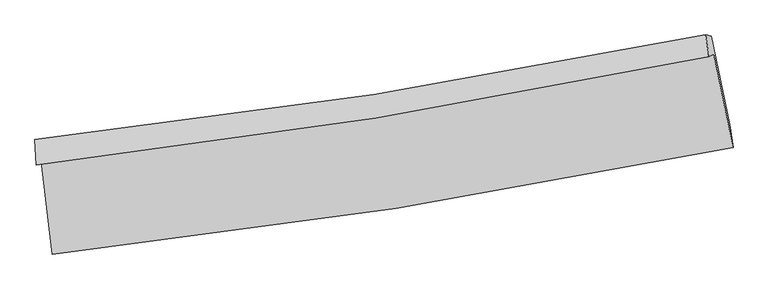
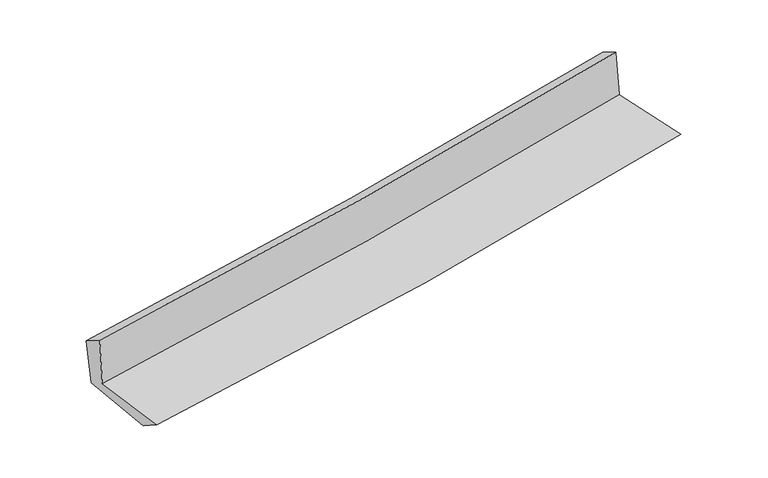
"""IFC4 building model written with IfcOpenShell, lengths in millimetres: proxy geometry."""

import ifcopenshell
import ifcopenshell.guid

model = None  # the IFC model being written
_history = None  # IfcOwnerHistory: only IFC2X3 demands one
_inside = {}  # id of a spatial element -> (the spatial element, [elements in it])
_under = {}  # id of a project, library or spatial element -> (it, [spatial elements below it])
_declared = {}  # id of a project -> (the project, [libraries it declares])
_typed = {}  # id of a type object -> (the type object, [elements of that type])
_made_of = {}  # id of a material, layer set ... -> (it, [elements and type objects made of it])


def new_model(schema):
    """Start an empty IFC model of exactly this schema.

    Asked for "IFC4X3", IfcOpenShell would pick the latest addendum, in which some entities
    have other attributes; the version numbers below select the first issue.
    IFC2X3 requires an IfcOwnerHistory on every rooted entity: one is made here for all.
    """
    global model, _history
    if schema == "IFC4X3":
        model = ifcopenshell.file(schema_version=(4, 3, 0, 0))
    else:
        model = ifcopenshell.file(schema=schema)
    _inside.clear()
    _under.clear()
    _declared.clear()
    _typed.clear()
    _made_of.clear()
    _history = None
    if model.schema == "IFC2X3":
        org = make("IfcOrganization", Name="unknown")
        user = make(
            "IfcPersonAndOrganization",
            ThePerson=make("IfcPerson", FamilyName="unknown"),
            TheOrganization=org,
        )
        app = make(
            "IfcApplication",
            ApplicationDeveloper=org,
            Version="unknown",
            ApplicationFullName="unknown",
            ApplicationIdentifier="unknown",
        )
        _history = make(
            "IfcOwnerHistory",
            OwningUser=user,
            OwningApplication=app,
            ChangeAction="ADDED",
            CreationDate=0,
        )
    return model


def make(cls, **values):
    """One entity of the class cls with the attributes given. An attribute that is None is left unset."""
    return model.create_entity(
        cls, **{name: value for name, value in values.items() if value is not None}
    )


def rooted(cls, **values):
    """An entity with a GlobalId (a new one), such as an element, a storey or a relation."""
    return make(cls, GlobalId=ifcopenshell.guid.new(), OwnerHistory=_history, **values)


def si_unit(unit_type, name, prefix=None):
    """IfcSIUnit, for example si_unit("LENGTHUNIT", "METRE", prefix="MILLI")."""
    return make("IfcSIUnit", UnitType=unit_type, Prefix=prefix, Name=name)


def assignment(units):
    """IfcUnitAssignment: the units of a project."""
    return None if units is None else make("IfcUnitAssignment", Units=units)


def point(xyz):
    """IfcCartesianPoint."""
    return None if xyz is None else make("IfcCartesianPoint", Coordinates=xyz)


def direction(xyz):
    """IfcDirection."""
    return None if xyz is None else make("IfcDirection", DirectionRatios=xyz)


def frame(location, z_axis=None, x_axis=None):
    """IfcAxis2Placement3D, a coordinate frame: its origin and axes. An axis left out is left unset."""
    return make(
        "IfcAxis2Placement3D",
        Location=point(location),
        Axis=direction(z_axis),
        RefDirection=direction(x_axis),
    )


def origin():
    """The frame at (0, 0, 0) with its axes left unset."""
    return frame((0.0, 0.0, 0.0))


def place(relative_to, where):
    """IfcLocalPlacement: puts the frame where relative to a parent placement (None: the world)."""
    return make(
        "IfcLocalPlacement", PlacementRelTo=relative_to, RelativePlacement=where
    )


def context(
    kind, dimensions, precision=None, world=None, true_north=None, identifier=None
):
    """IfcGeometricRepresentationContext, for example the 3D "Model" context."""
    return make(
        "IfcGeometricRepresentationContext",
        ContextIdentifier=identifier,
        ContextType=kind,
        CoordinateSpaceDimension=dimensions,
        Precision=precision,
        WorldCoordinateSystem=world,
        TrueNorth=true_north,
    )


def project(units=None, contexts=None):
    """IfcProject with its units and contexts."""
    return rooted(
        "IfcProject",
        Name="project",
        RepresentationContexts=contexts,
        UnitsInContext=assignment(units),
    )


def spatial(cls, under=None, at=None, **own):
    """A site, building, storey or space (cls), placed at a placement, below another one or the project."""
    s = rooted(cls, ObjectPlacement=at, **own)
    if under is not None:
        _under.setdefault(under.id(), (under, []))[1].append(s)
    return s


def shape(context_of_items, identifier, shape_type, items):
    """IfcShapeRepresentation: the items that make up one representation, for example the "Body"."""
    return make(
        "IfcShapeRepresentation",
        ContextOfItems=context_of_items,
        RepresentationIdentifier=identifier,
        RepresentationType=shape_type,
        Items=items,
    )


def source(mapping_origin, context_of_items, identifier, shape_type, items):
    """IfcRepresentationMap: a shape defined once, which mapped items show again and again."""
    return make(
        "IfcRepresentationMap",
        MappingOrigin=mapping_origin,
        MappedRepresentation=shape(context_of_items, identifier, shape_type, items),
    )


def transform(
    local_origin,
    x_axis=None,
    y_axis=None,
    z_axis=None,
    scale=None,
    scale2=None,
    scale3=None,
    uniform=True,
):
    """IfcCartesianTransformationOperator3D, or its non-uniform kind. x_axis, y_axis, z_axis: its Axis1, 2, 3."""
    if uniform:
        return make(
            "IfcCartesianTransformationOperator3D",
            Axis1=direction(x_axis),
            Axis2=direction(y_axis),
            LocalOrigin=point(local_origin),
            Scale=scale,
            Axis3=direction(z_axis),
        )
    return make(
        "IfcCartesianTransformationOperator3DnonUniform",
        Axis1=direction(x_axis),
        Axis2=direction(y_axis),
        LocalOrigin=point(local_origin),
        Scale=scale,
        Axis3=direction(z_axis),
        Scale2=scale2,
        Scale3=scale3,
    )


def mapped(mapping_source, mapping_target):
    """IfcMappedItem: shows the shape of a source again, moved by a transform."""
    return make(
        "IfcMappedItem", MappingSource=mapping_source, MappingTarget=mapping_target
    )


def made_of(thing, what):
    """Note that an element or type object is made of a material, layer set ...; save() writes the relation."""
    if what is not None:
        _made_of.setdefault(what.id(), (what, []))[1].append(thing)
    return thing


def element(
    cls,
    number,
    at=None,
    inside=None,
    cuts=None,
    type_object=None,
    material=None,
    context=None,
    identifier="Body",
    shape_type=None,
    held_by="IfcProductDefinitionShape",
    body=None,
    shapes=None,
    **own,
):
    """One element of the class cls, such as IfcWall. Its Tag is "e" and its number.

    at: its placement. inside: the storey or other place that contains it. cuts: it is an
    opening in that element (IfcRelVoidsElement). A single representation is given by context,
    identifier, shape_type and body (its items); several are given by shapes. held_by: the class
    of the entity that holds the representations. save() writes the other relations.
    """
    e = rooted(cls, Tag="e%d" % number, ObjectPlacement=at, **own)
    if body is not None:
        shapes = [shape(context, identifier, shape_type, body)]
    if shapes is not None:
        e.Representation = make(held_by, Representations=shapes)
    if inside is not None:
        _inside.setdefault(inside.id(), (inside, []))[1].append(e)
    if cuts is not None:
        rooted(
            "IfcRelVoidsElement", RelatingBuildingElement=cuts, RelatedOpeningElement=e
        )
    if type_object is not None:
        _typed.setdefault(type_object.id(), (type_object, []))[1].append(e)
    return made_of(e, material)


def aggregate(whole, parts):
    """IfcRelAggregates: a whole, such as a stair, and the parts it consists of."""
    return rooted("IfcRelAggregates", RelatingObject=whole, RelatedObjects=parts)


def save(model, path):
    """Write the relations noted so far, then the file.

    IfcRelAggregates (storeys below a building ...), IfcRelContainedInSpatialStructure (elements
    in a storey), IfcRelDefinesByType, IfcRelAssociatesMaterial and IfcRelDeclares: one each for
    every whole, place, type object, material and project.
    """
    for whole, parts in _under.values():
        aggregate(whole, parts)
    for where, things in _inside.values():
        rooted(
            "IfcRelContainedInSpatialStructure",
            RelatedElements=things,
            RelatingStructure=where,
        )
    for kind, things in _typed.values():
        rooted("IfcRelDefinesByType", RelatedObjects=things, RelatingType=kind)
    for what, things in _made_of.values():
        rooted("IfcRelAssociatesMaterial", RelatedObjects=things, RelatingMaterial=what)
    for by, libraries in _declared.values():
        rooted("IfcRelDeclares", RelatingContext=by, RelatedDefinitions=libraries)
    model.write(path)


def plane_surface(at):
    """IfcPlane: the flat surface through the origin of the frame at, square to its z axis."""
    return make("IfcPlane", Position=at)


def spline_curve(degree, points, multiplicities, knots, weights=None):
    """IfcBSplineCurveWithKnots; with weights, IfcRationalBSplineCurveWithKnots."""
    own = dict(
        Degree=degree,
        ControlPointsList=[point(p) for p in points],
        CurveForm="UNSPECIFIED",
        ClosedCurve=False,
        SelfIntersect=False,
        KnotMultiplicities=multiplicities,
        Knots=knots,
        KnotSpec="UNSPECIFIED",
    )
    if weights is None:
        return make("IfcBSplineCurveWithKnots", **own)
    return make("IfcRationalBSplineCurveWithKnots", WeightsData=weights, **own)


def spline_surface(u_degree, v_degree, points, u_multiplicities, v_multiplicities, u_knots, v_knots, weights=None):
    """IfcBSplineSurfaceWithKnots; with weights, IfcRationalBSplineSurfaceWithKnots. points: one row for each step in u."""
    own = dict(
        UDegree=u_degree,
        VDegree=v_degree,
        ControlPointsList=[[point(p) for p in row] for row in points],
        SurfaceForm="UNSPECIFIED",
        UClosed=False,
        VClosed=False,
        SelfIntersect=False,
        UMultiplicities=u_multiplicities,
        VMultiplicities=v_multiplicities,
        UKnots=u_knots,
        VKnots=v_knots,
        KnotSpec="UNSPECIFIED",
    )
    if weights is None:
        return make("IfcBSplineSurfaceWithKnots", **own)
    return make("IfcRationalBSplineSurfaceWithKnots", WeightsData=weights, **own)


def advanced_brep(points, edges, surfaces, faces):
    """IfcAdvancedBrep: a solid bounded by faces that lie on surfaces and meet in shared edges.

    An edge is (start, end): straight between two places in points (the first is 0);
    or (start, end, curve); or (start, end, curve, False) where it runs against its curve.
    A face is (place in surfaces, loops), or (place, loops, False) where it looks against
    its surface's normal. A loop lists edges by number (the first is 1), with a minus sign
    where the edge is run from its end to its start. The first loop is the outer one.
    """
    corners = [point(p) for p in points]
    vertices = [make("IfcVertexPoint", VertexGeometry=c) for c in corners]
    made = []
    for start, end, *more in edges:
        made.append(
            make(
                "IfcEdgeCurve",
                EdgeStart=vertices[start],
                EdgeEnd=vertices[end],
                EdgeGeometry=more[0] if more else make("IfcPolyline", Points=[corners[start], corners[end]]),
                SameSense=more[1] if len(more) > 1 else True,
            )
        )
    hull = []
    for where, loops, *sense in faces:
        bounds = []
        for j, loop in enumerate(loops):
            ring = [make("IfcOrientedEdge", EdgeElement=made[abs(k) - 1], Orientation=k > 0) for k in loop]
            bounds.append(
                make(
                    "IfcFaceOuterBound" if j == 0 else "IfcFaceBound",
                    Bound=make("IfcEdgeLoop", EdgeList=ring),
                    Orientation=True,
                )
            )
        hull.append(make("IfcAdvancedFace", Bounds=bounds, FaceSurface=surfaces[where], SameSense=sense[0] if sense else True))
    return make("IfcAdvancedBrep", Outer=make("IfcClosedShell", CfsFaces=hull))


def generic_models_d0533186(model_context):
    return source(origin(), model_context, "Body", "AdvancedBrep", [
        advanced_brep(
        [(-2432.7738446, -1866.7117036, 1657.553514), (-2355.3584712, -2530.7841504, 1665.5596993), (2508.2389087, -1768.4546674, 2092.4312633), (2370.8731063, -1102.0217176, 2089.3503943), (-2468.0919667, -1892.3042578, 2073.3406233), (2335.6616199, -1116.5491642, 2489.8547499), (-2479.1213166, -1711.7640892, 1962.4994962), (2312.1004569, -962.2056637, 2402.6489526), (-2442.6566257, -1722.6458299, 1580.8390092), (2351.8126487, -972.6223784, 2008.9762531), (-2365.7609932, -2350.8270972, 1548.6634492), (2483.7956758, -1602.1721718, 1988.6227451)],
        [
            (0, 1),
            (1, 2, spline_curve(3, [(-2355.3584712, -2530.7841504, 1665.5596993), (-1534.032806063, -2441.016348214, 1734.135840492), (-715.614329895, -2332.101144112, 1804.222801259), (905.514686137, -2077.529552619, 1946.549757949), (1708.295336661, -1932.334929024, 2018.753318411), (2508.2389087, -1768.4546674, 2092.4312633)], [4, 2, 4], [0.0, 8.109796039234404, 16.121206262270285])),
            (2, 3),
            (3, 0, spline_curve(3, [(2370.8731063, -1102.0217176, 2089.3503943), (1580.585164125, -1261.94219872, 2018.319450593), (787.596868978, -1405.339163833, 1947.042019292), (-813.552049563, -1660.644158974, 1803.115816908), (-1621.779404886, -1772.143855601, 1730.460954795), (-2432.7738446, -1866.7117036, 1657.553514)], [4, 2, 4], [0.0, 8.011410223035881, 16.121206262270285])),
            (4, 0),
            (3, 5),
            (5, 4, spline_curve(3, [(2335.6616199, -1116.5491642, 2489.8547499), (1545.615350573, -1281.967553643, 2426.465500958), (752.73985131, -1429.041121482, 2360.290300779), (-848.441427787, -1688.079494086, 2221.521105827), (-1656.817123912, -1799.590957741, 2148.858263844), (-2468.0919667, -1892.3042578, 2073.3406233)], [4, 2, 4], [0.0, 7.96437694836856, 16.02656211086712])),
            (6, 4),
            (5, 7),
            (7, 6, spline_curve(3, [(2312.1004569, -962.2056637, 2402.6489526), (1524.195842127, -1123.791485833, 2333.402529488), (733.429315215, -1266.780583906, 2262.335226019), (-863.573885172, -1517.092958931, 2115.66373843), (-1669.881282726, -1623.95666949, 2040.0145567), (-2479.1213166, -1711.7640892, 1962.4994962)], [4, 2, 4], [0.0, 7.953366254084504, 16.004405503141093])),
            (8, 6),
            (7, 9),
            (9, 8, spline_curve(3, [(2351.8126487, -972.6223784, 2008.9762531), (1563.297455254, -1134.438048112, 1942.479017678), (771.956443485, -1277.581051765, 1873.783533505), (-826.130148855, -1528.050312527, 1731.125442629), (-1632.945562144, -1634.915125709, 1657.108512047), (-2442.6566257, -1722.6458299, 1580.8390092)], [4, 2, 4], [0.0, 7.943575345050975, 15.984703445746653])),
            (10, 8),
            (9, 11),
            (11, 10, spline_curve(3, [(2483.7956758, -1602.1721718, 1988.6227451), (1686.302257607, -1767.41855084, 1917.535504652), (885.909982219, -1912.174722043, 1845.557828859), (-730.537270126, -2162.232722777, 1698.926734706), (-1546.663884306, -2267.028193437, 1624.251311802), (-2365.7609932, -2350.8270972, 1548.6634492)], [4, 2, 4], [0.0, 7.990486000911552, 16.079100853690168])),
            (1, 10),
            (11, 2),
        ],
        [
            spline_surface(3, 3, [[(-2432.7738446, -1866.7117036, 1657.553514), (-1621.779404754, -1772.143855708, 1730.46095488), (-813.552049558, -1660.64415893, 1803.115817024), (787.596868973, -1405.339163876, 1947.042019177), (1580.585164086, -1261.942198636, 2018.319450511), (2370.8731063, -1102.0217176, 2089.3503943)], [(-2406.968720114, -2088.06918588, 1660.222242435), (-1592.530538535, -1995.101353222, 1731.68591671), (-780.906142995, -1884.463154004, 1803.484811758), (826.902808054, -1629.402626767, 1946.877932076), (1623.155221603, -1485.406442076, 2018.464073138), (2416.661707128, -1324.16603421, 2090.377350631)], [(-2381.163595686, -2309.42666812, 1662.890970865), (-1563.281672373, -2218.058850694, 1732.910878535), (-748.260236484, -2108.282149094, 1803.853806546), (866.208747082, -1853.466089673, 1946.713845028), (1665.725279035, -1708.870685487, 2018.60869577), (2462.450307872, -1546.31035079, 2091.404306969)], [(-2355.3584712, -2530.7841504, 1665.5596993), (-1534.032806154, -2441.016348208, 1734.135840364), (-715.614329921, -2332.101144167, 1804.22280128), (905.514686163, -2077.529552564, 1946.549757927), (1708.295336553, -1932.334928928, 2018.753318397), (2508.2389087, -1768.4546674, 2092.4312633)]], [4, 4], [4, 2, 4], [0.0, 2.23232869040642], [0.0, 8.109796039234404, 16.121206262270285]),
            spline_surface(3, 3, [[(-2468.0919667, -1892.3042578, 2073.3406233), (-1656.817123896, -1799.590957617, 2148.858263712), (-848.441427692, -1688.079494179, 2221.52110575), (752.739851216, -1429.04112139, 2360.290300856), (1545.615350581, -1281.967553591, 2426.465501017), (2335.6616199, -1116.5491642, 2489.8547499)], [(-2456.319259352, -1883.773406405, 1934.744920194), (-1645.137884201, -1790.441923652, 2009.392494095), (-836.811634979, -1678.934382437, 2082.052676182), (764.358857136, -1421.140468893, 2222.540873638), (1557.271955077, -1275.292435268, 2290.416817487), (2347.398782028, -1111.706681995, 2356.353298005)], [(-2444.546551948, -1875.242554995, 1796.149217106), (-1633.458644449, -1781.292889674, 1869.926724496), (-825.181842271, -1669.789270672, 1942.584246591), (775.977863053, -1413.239816373, 2084.791446395), (1568.928559589, -1268.617316959, 2154.368134041), (2359.135944172, -1106.864199805, 2222.851846195)], [(-2432.7738446, -1866.7117036, 1657.553514), (-1621.779404754, -1772.143855708, 1730.46095488), (-813.552049558, -1660.64415893, 1803.115817024), (787.596868973, -1405.339163876, 1947.042019177), (1580.585164086, -1261.942198636, 2018.319450511), (2370.8731063, -1102.0217176, 2089.3503943)]], [4, 4], [4, 2, 4], [0.0, 1.3717242887874608], [0.0, 8.062185162498558, 16.02656211086712]),
            spline_surface(3, 3, [[(-2479.1213166, -1711.7640892, 1962.4994962), (-1669.881282652, -1623.956669382, 2040.014556696), (-863.573885094, -1517.09295901, 2115.663738513), (733.429315138, -1266.780583827, 2262.335225937), (1524.195842101, -1123.791485711, 2333.402529598), (2312.1004569, -962.2056637, 2402.6489526)], [(-2475.44486664, -1771.944145393, 1999.446538587), (-1665.526563074, -1682.501432121, 2076.295792388), (-858.529732622, -1574.088470743, 2150.949527602), (739.866160501, -1320.867429691, 2294.986917586), (1531.335678248, -1176.516841688, 2364.423520097), (2319.954177887, -1013.653497218, 2431.717551726)], [(-2471.76841666, -1832.124201607, 2036.393580913), (-1661.171843475, -1741.046194879, 2112.577028019), (-853.485580163, -1631.083982446, 2186.235316661), (746.303005852, -1374.954275526, 2327.638609207), (1538.475514434, -1229.242197613, 2395.444510518), (2327.807898913, -1065.101330682, 2460.786150774)], [(-2468.0919667, -1892.3042578, 2073.3406233), (-1656.817123896, -1799.590957617, 2148.858263712), (-848.441427692, -1688.079494179, 2221.52110575), (752.739851216, -1429.04112139, 2360.290300856), (1545.615350581, -1281.967553591, 2426.465501017), (2335.6616199, -1116.5491642, 2489.8547499)]], [4, 4], [4, 2, 4], [0.0, 0.6435093894518231], [0.0, 8.05103924905659, 16.004405503141093]),
            spline_surface(3, 3, [[(-2442.6566257, -1722.6458299, 1580.8390092), (-1632.94556219, -1634.915125714, 1657.108512018), (-826.130148934, -1528.05031241, 1731.125442574), (771.956443563, -1277.58105188, 1873.783533559), (1563.297455139, -1134.438048004, 1942.479017643), (2351.8126487, -972.6223784, 2008.9762531)], [(-2454.811522658, -1719.018583004, 1708.059171513), (-1645.257469002, -1631.26230694, 1784.743860224), (-838.611394347, -1524.397861264, 1859.304874537), (759.114067395, -1273.98089585, 2003.300764335), (1550.263584139, -1130.889193898, 2072.786854939), (2338.575251446, -969.150140158, 2140.200486244)], [(-2466.966419642, -1715.391336096, 1835.279333887), (-1657.56937584, -1627.609488156, 1912.379208491), (-851.092639681, -1520.745410155, 1987.484306551), (746.271691306, -1270.380739857, 2132.817995162), (1537.229713101, -1127.340339817, 2203.094692302), (2325.337854154, -965.677901942, 2271.424719456)], [(-2479.1213166, -1711.7640892, 1962.4994962), (-1669.881282652, -1623.956669382, 2040.014556696), (-863.573885094, -1517.09295901, 2115.663738513), (733.429315138, -1266.780583827, 2262.335225937), (1524.195842101, -1123.791485711, 2333.402529598), (2312.1004569, -962.2056637, 2402.6489526)]], [4, 4], [4, 2, 4], [0.0, 1.2747187929363908], [0.0, 8.041128100695678, 15.984703445746653]),
            spline_surface(3, 3, [[(-2365.7609932, -2350.8270972, 1548.6634492), (-1546.663884344, -2267.028193454, 1624.251311913), (-730.537270169, -2162.232722763, 1698.92673479), (885.90998226, -1912.174722057, 1845.557828776), (1686.302257715, -1767.418550946, 1917.535504535), (2483.7956758, -1602.1721718, 1988.6227451)], [(-2391.39287069, -2141.433341439, 1559.388635891), (-1575.424443616, -2056.323837546, 1635.203711973), (-762.401563071, -1950.838585974, 1709.659637385), (847.925469381, -1700.64349866, 1854.966397038), (1645.300656831, -1556.425049976, 1925.850008926), (2439.801333409, -1392.322240677, 1995.407247788)], [(-2417.02474821, -1932.039585661, 1570.113822509), (-1604.185002918, -1845.619481622, 1646.156111959), (-794.265856032, -1739.444449199, 1720.392539979), (809.940956443, -1489.112275278, 1864.374965298), (1604.299056022, -1345.431548974, 1934.164513252), (2395.806991091, -1182.472309523, 2002.191750412)], [(-2442.6566257, -1722.6458299, 1580.8390092), (-1632.94556219, -1634.915125714, 1657.108512018), (-826.130148934, -1528.05031241, 1731.125442574), (771.956443563, -1277.58105188, 1873.783533559), (1563.297455139, -1134.438048004, 1942.479017643), (2351.8126487, -972.6223784, 2008.9762531)]], [4, 4], [4, 2, 4], [0.0, 2.1117829590481274], [0.0, 8.088614852778615, 16.079100853690168]),
            spline_surface(3, 3, [[(-2355.3584712, -2530.7841504, 1665.5596993), (-1534.032806154, -2441.016348208, 1734.135840364), (-715.614329921, -2332.101144167, 1804.22280128), (905.514686163, -2077.529552564, 1946.549757927), (1708.295336553, -1932.334928928, 2018.753318397), (2508.2389087, -1768.4546674, 2092.4312633)], [(-2358.825978545, -2470.798465979, 1626.59428258), (-1538.243165562, -2383.020296602, 1697.507664194), (-720.588643353, -2275.478337037, 1769.124112466), (898.979784846, -2022.411275733, 1912.88578156), (1700.964310275, -1877.362802909, 1985.014047115), (2500.091164402, -1713.027168842, 2057.828423905)], [(-2362.293485855, -2410.812781621, 1587.62886592), (-1542.453524936, -2325.02424506, 1660.879488084), (-725.562956737, -2218.855529893, 1734.025423604), (892.444883577, -1967.292998888, 1879.221805144), (1693.633283992, -1822.390676964, 1951.274775817), (2491.943420098, -1657.599670358, 2023.225584495)], [(-2365.7609932, -2350.8270972, 1548.6634492), (-1546.663884344, -2267.028193454, 1624.251311913), (-730.537270169, -2162.232722763, 1698.92673479), (885.90998226, -1912.174722057, 1845.557828776), (1686.302257715, -1767.418550946, 1917.535504535), (2483.7956758, -1602.1721718, 1988.6227451)]], [4, 4], [4, 2, 4], [0.0, 0.6482807909032824], [0.0, 8.146189881560561, 16.193552426832017]),
            plane_surface(frame((2393.7470694, -1254.0042939, 2178.647393), z_axis=(0.9750780884612, 0.20141411908298354, 0.09303265038081061), x_axis=(-0.10033202636049873, 0.026317613058510454, 0.9946058856297296))),
            plane_surface(frame((-2423.9605363, -2012.506188, 1748.0759652), z_axis=(-0.9890094358180299, -0.11639466091756881, -0.09117356400177944), x_axis=(-0.11578423456886887, 0.993202209356711, -0.011974237105108749))),
        ],
        [
            (0, [[1, 2, 3, 4]]),
            (1, [[5, -4, 6, 7]]),
            (2, [[8, -7, 9, 10]]),
            (3, [[11, -10, 12, 13]]),
            (4, [[14, -13, 15, 16]]),
            (5, [[17, -16, 18, -2]]),
            (6, [[-12, -9, -6, -3, -18, -15]]),
            (7, [[-1, -5, -8, -11, -14, -17]]),
        ],
    ),
    ])


if __name__ == "__main__":
    model = new_model("IFC4")
    model_context = context("Model", 3, world=origin())
    ifc_project = project(units=[si_unit("LENGTHUNIT", "METRE", prefix="MILLI")], contexts=[model_context])
    site = spatial("IfcSite", under=ifc_project)
    building = spatial("IfcBuilding", under=site)
    placement = place(None, origin())
    generic_models_shape = generic_models_d0533186(model_context)
    element("IfcBuildingElementProxy", 1, Name="Generic Models", at=placement, inside=building, context=model_context, shape_type="MappedRepresentation", body=[
        mapped(generic_models_shape, transform((0.0, 0.0, 0.0), x_axis=(1.0, 0.0, 0.0), y_axis=(0.0, 1.0, 0.0), z_axis=(0.0, 0.0, 1.0))),
    ])
    save(model, "model.ifc")
